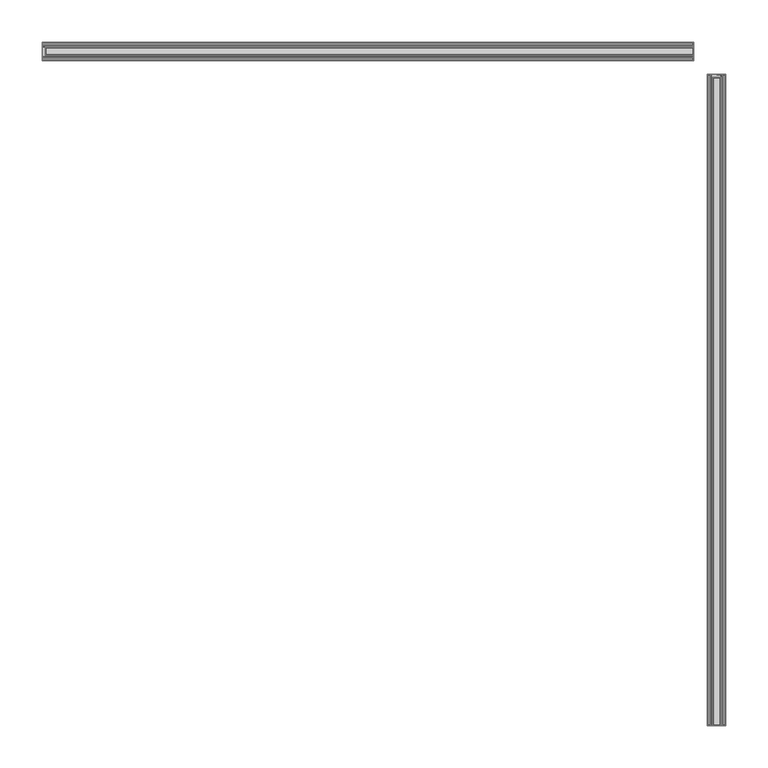
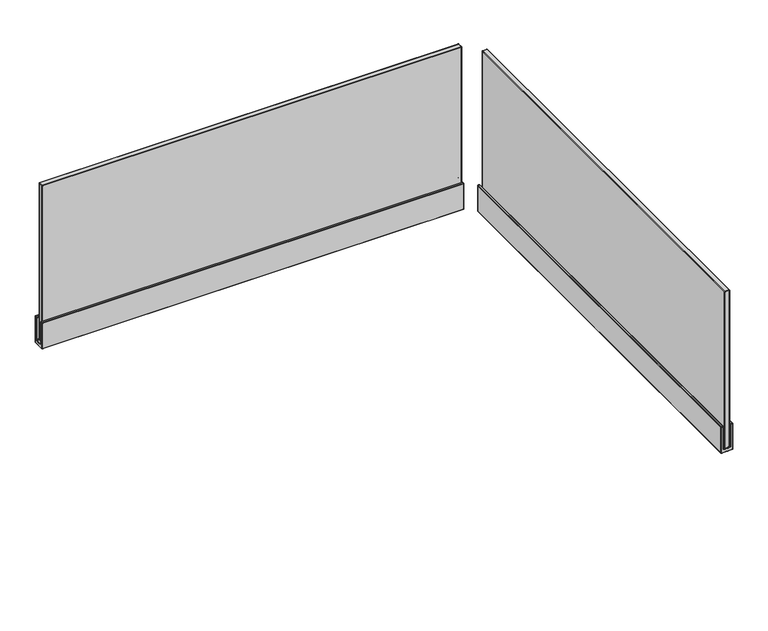
"""IFC4 building model written with IfcOpenShell, lengths in millimetres: furniture geometry."""

from ifc_helpers import new_model, si_unit, origin, place, context, project, spatial, triangles, source, transform, mapped, element, save


def furniture_179b747d(model_context):
    return source(origin(), model_context, "Body", "Tessellation", [
        triangles([(0.5079999, -14.9225017, 1119.1999992), (0.5079999, -14.4734886, 1119.0140368), (0.1487897, -14.5786988, 1118.9088106), (0.1487897, -14.9225017, 1119.0511711), (-1e-07, -14.8326986, 1118.654829), (0.1487897, -14.4362918, 1118.5650089), (0.5079999, -14.2875011, 1118.5650089), (774.1919884, -14.2874932, 1118.5650089), (774.1919884, -14.4734807, 1119.0140368), (774.1919884, -14.9224926, 1119.1999992), (0.5079999, -18.097502, 1119.1999992), (0.5079999, -18.546514, 1119.0140368), (0.1487897, -18.4413037, 1118.9088106), (0.1487897, -18.097502, 1119.0511711), (-1e-07, -18.187304, 1118.654829), (0.5079999, -18.7325014, 1118.5650089), (0.1487897, -18.5837119, 1118.5650089), (-1e-07, -14.7955018, 1069.0349653), (0.1487897, -14.4362918, 1069.0349653), (0.5079999, -14.2875011, 1069.0349653), (0.1487897, -14.5786988, 1068.6911636), (0.5079999, -14.4734886, 1068.5860102), (-1e-07, -14.9225017, 1068.9080109), (0.1487897, -14.9225017, 1068.5488031), (0.5079999, -14.9225017, 1068.399975), (0.0, -25.4000008, 1068.9080109), (0.1487898, -25.4000008, 1068.5488031), (0.508, -25.4000008, 1068.399975), (0.5079999, -18.7325014, 1076.0200041), (0.5079999, -19.1044752, 1075.1219484), (0.1487897, -18.9992661, 1075.016795), (0.1487897, -18.5837119, 1076.0200041), (-1e-07, -18.7452652, 1074.7627407), (-1e-07, -18.2245019, 1076.0200041), (0.5079999, -20.0025014, 1074.7500235), (0.1487897, -20.0025014, 1074.6011953), (0.0, -20.0025014, 1074.2419876), (774.1919884, -19.1044684, 1075.1219484), (774.1919884, -20.0024923, 1074.7500235), (774.5511961, -20.0024923, 1074.6011953), (774.5511961, -18.999257, 1075.016795), (774.7000242, -20.0024923, 1074.2419876), (774.7000242, -18.7452573, 1074.7627407), (774.1919884, -18.7324935, 1076.0200041), (774.5511961, -18.5837028, 1076.0200041), (774.7000242, -18.2244928, 1076.0200041), (774.1919884, -25.4000008, 1074.7500235), (774.5511961, -25.4000008, 1074.6011953), (774.7000242, -25.4000008, 1074.2419876), (774.1919884, -18.7324935, 1118.5650089), (774.1919884, -18.546506, 1119.0140368), (774.5511961, -18.4412958, 1118.9088106), (774.5511961, -18.5837028, 1118.5650089), (774.7000242, -18.187296, 1118.654829), (774.1919884, -18.097493, 1119.1999992), (774.5511961, -18.097493, 1119.0511711), (774.5511961, -14.9224926, 1119.0511711), (774.5511961, -14.5786909, 1118.9088106), (774.7000242, -14.8326907, 1118.654829), (774.5511961, -14.4362827, 1118.5650089), (774.7000242, -14.7954927, 1069.0349653), (774.5511961, -14.4362827, 1069.0349653), (774.1919884, -14.2874932, 1069.0349653), (774.5511961, -14.5786909, 1068.6911636), (774.1919884, -14.4734807, 1068.5860102), (774.7000242, -14.9224926, 1068.9080109), (774.5511961, -14.9224926, 1068.5488031), (774.1919884, -14.9224926, 1068.399975), (774.7000242, -25.4000008, 1068.9080109), (774.5511961, -25.4000008, 1068.5488031), (774.1919884, -25.4000008, 1068.399975), (0.508, -25.4000008, 1074.7500235), (0.1487898, -25.4000008, 1074.6011953), (0.0, -25.4000008, 1074.2419876), (774.1919884, -30.7974933, 1074.7500235), (0.5080001, -30.7975024, 1074.7500235), (0.5080001, -35.8775021, 1068.399975), (774.1919884, -35.877493, 1068.399975), (0.5079999, -35.8774976, 1119.1999992), (0.5079999, -36.3265118, 1119.0140368), (0.1487897, -36.2213015, 1118.9088106), (0.1487897, -35.8774976, 1119.0511711), (-1e-07, -35.9673018, 1118.654829), (0.1487897, -36.3637097, 1118.5650089), (0.5079999, -36.5124992, 1118.5650089), (774.1919884, -36.5125061, 1118.5650089), (774.1919884, -36.3265209, 1119.0140368), (774.1919884, -35.8775067, 1119.1999992), (0.5079999, -32.7024983, 1119.1999992), (0.5079999, -32.2534864, 1119.0140368), (0.1487897, -32.3586966, 1118.9088106), (0.1487897, -32.7024983, 1119.0511711), (-1e-07, -32.6126964, 1118.654829), (0.5079999, -32.0674989, 1118.5650089), (0.1487897, -32.2162885, 1118.5650089), (-1e-07, -36.0044975, 1069.0349653), (0.1487897, -36.3637097, 1069.0349653), (0.5079999, -36.5124992, 1069.0349653), (0.1487897, -36.2213015, 1068.6911636), (0.5079999, -36.3265118, 1068.5860102), (-1e-07, -35.8774976, 1068.9080109), (0.1487897, -35.8774976, 1068.5488031), (0.5079999, -32.0674989, 1076.0200041), (0.5079999, -31.695524, 1075.1219484), (0.1487897, -31.8007342, 1075.016795), (0.1487897, -32.2162885, 1076.0200041), (-1e-07, -32.054734, 1074.7627407), (-1e-07, -32.5754985, 1076.0200041), (0.1487897, -30.7974979, 1074.6011953), (0.0, -30.7974979, 1074.2419876), (774.1919884, -31.6955331, 1075.1219484), (774.5511961, -30.797507, 1074.6011953), (774.5511961, -31.8007433, 1075.016795), (774.7000242, -30.797507, 1074.2419876), (774.7000242, -32.0547431, 1074.7627407), (774.1919884, -32.067508, 1076.0200041), (774.5511961, -32.2162975, 1076.0200041), (774.7000242, -32.5755075, 1076.0200041), (774.1919884, -32.067508, 1118.5650089), (774.1919884, -32.2534932, 1119.0140368), (774.5511961, -32.3587035, 1118.9088106), (774.5511961, -32.2162975, 1118.5650089), (774.7000242, -32.6127055, 1118.654829), (774.1919884, -32.7025074, 1119.1999992), (774.5511961, -32.7025074, 1119.0511711), (774.5511961, -35.8775067, 1119.0511711), (774.5511961, -36.2213106, 1118.9088106), (774.7000242, -35.9673086, 1118.654829), (774.5511961, -36.3637165, 1118.5650089), (774.7000242, -36.0045065, 1069.0349653), (774.5511961, -36.3637165, 1069.0349653), (774.1919884, -36.5125061, 1069.0349653), (774.5511961, -36.2213106, 1068.6911636), (774.1919884, -36.3265209, 1068.5860102), (774.7000242, -35.8775067, 1068.9080109), (774.5511961, -35.8775067, 1068.5488031), (812.1015203, -52.8319996, 1119.1999992), (812.5504755, -52.8319996, 1119.0140368), (812.1015203, -52.4727919, 1119.0511711), (812.445322, -52.4727919, 1118.9088106), (812.1912678, -52.3240001, 1118.654829), (812.5876825, -52.4727919, 1118.5650089), (812.7365107, -52.8319996, 1118.5650089), (812.7365107, -826.5159748, 1118.5650089), (812.5505482, -826.5159748, 1119.0140368), (812.1015203, -826.5159748, 1119.1999992), (808.9264961, -52.8319996, 1119.1999992), (808.4774683, -52.8319996, 1119.0140368), (808.5826944, -52.4727919, 1118.9088106), (808.9264961, -52.4727919, 1119.0511711), (808.836676, -52.3240001, 1118.654829), (808.2915058, -52.8319996, 1118.5650089), (808.4402613, -52.4727919, 1118.5650089), (812.2284748, -52.3240001, 1069.0349653), (812.5876825, -52.4727919, 1069.0349653), (812.7365107, -52.8319996, 1069.0349653), (812.445322, -52.4727919, 1068.6911636), (812.5504755, -52.8319996, 1068.5860102), (812.1015203, -52.3240001, 1068.9080109), (812.1015203, -52.4727919, 1068.5488031), (812.1015203, -52.8319996, 1068.399975), (801.6240349, -52.3240001, 1068.9080109), (801.6240349, -52.4727919, 1068.5488031), (801.6240349, -52.8319996, 1068.399975), (808.2915058, -52.8319996, 1076.0200041), (807.9195082, -52.8319996, 1075.1219484), (808.4402613, -52.4727919, 1076.0200041), (808.0247343, -52.4727919, 1075.016795), (808.799469, -52.3240001, 1076.0200041), (808.2787159, -52.3240001, 1074.7627407), (807.0215252, -52.8319996, 1074.7500235), (807.0215252, -52.4727919, 1074.6011953), (807.0215252, -52.3240001, 1074.2419876), (807.9195082, -826.5159748, 1075.1219484), (807.0215252, -826.5159748, 1074.7500235), (807.0215252, -826.8751825, 1074.6011953), (808.0247343, -826.8751825, 1075.016795), (807.0215252, -827.0240107, 1074.2419876), (808.2787159, -827.0240107, 1074.7627407), (808.2915058, -826.5159748, 1076.0200041), (808.4402613, -826.8751825, 1076.0200041), (808.7995417, -827.0240107, 1076.0200041), (801.6240349, -826.5159748, 1074.7500235), (801.6240349, -826.8751825, 1074.6011953), (801.6240349, -827.0240107, 1074.2419876), (808.2915058, -826.5159748, 1118.5650089), (808.4774683, -826.5159748, 1119.0140368), (808.5826944, -826.8751825, 1118.9088106), (808.4402613, -826.8751825, 1118.5650089), (808.836676, -827.0240107, 1118.654829), (808.9264961, -826.5159748, 1119.1999992), (808.9264961, -826.8751825, 1119.0511711), (812.445322, -826.8751825, 1118.9088106), (812.1015203, -826.8751825, 1119.0511711), (812.1913404, -827.0240107, 1118.654829), (812.5876825, -826.8751825, 1118.5650089), (812.2284748, -827.0240107, 1069.0349653), (812.5876825, -826.8751825, 1069.0349653), (812.7365107, -826.5159748, 1069.0349653), (812.445322, -826.8751825, 1068.6911636), (812.5505482, -826.5159748, 1068.5860102), (812.1015203, -827.0240107, 1068.9080109), (812.1015203, -826.8751825, 1068.5488031), (812.1015203, -826.5159748, 1068.399975), (801.6240349, -827.0240107, 1068.9080109), (801.6240349, -826.8751825, 1068.5488031), (801.6240349, -826.5159748, 1068.399975), (801.6240349, -52.8319996, 1074.7500235), (801.6240349, -52.4727919, 1074.6011953), (801.6240349, -52.3240001, 1074.2419876), (796.2264719, -826.5159748, 1074.7500235), (796.2264719, -52.8319996, 1074.7500235), (791.1464767, -52.8319996, 1068.399975), (791.1464767, -826.5159748, 1068.399975), (791.1464767, -52.8319996, 1119.1999992), (790.6975216, -52.8319996, 1119.0140368), (790.8026751, -52.4727919, 1118.9088106), (791.1464767, -52.4727919, 1119.0511711), (791.0567293, -52.3240001, 1118.654829), (790.6603146, -52.4727919, 1118.5650089), (790.5114864, -52.8319996, 1118.5650089), (790.5114864, -826.5159748, 1118.5650089), (790.6974489, -826.5159748, 1119.0140368), (791.1464767, -826.5159748, 1119.1999992), (794.321501, -52.8319996, 1119.1999992), (794.7705288, -52.8319996, 1119.0140368), (794.321501, -52.4727919, 1119.0511711), (794.6653027, -52.4727919, 1118.9088106), (794.4113211, -52.3240001, 1118.654829), (794.9564913, -52.8319996, 1118.5650089), (794.8077358, -52.4727919, 1118.5650089), (791.0195223, -52.3240001, 1069.0349653), (790.6603146, -52.4727919, 1069.0349653), (790.5114864, -52.8319996, 1069.0349653), (790.8026751, -52.4727919, 1068.6911636), (790.6975216, -52.8319996, 1068.5860102), (791.1464767, -52.3240001, 1068.9080109), (791.1464767, -52.4727919, 1068.5488031), (794.9564913, -52.8319996, 1076.0200041), (795.3284889, -52.8319996, 1075.1219484), (795.2232628, -52.4727919, 1075.016795), (794.8077358, -52.4727919, 1076.0200041), (794.9692812, -52.3240001, 1074.7627407), (794.4485281, -52.3240001, 1076.0200041), (796.2264719, -52.4727919, 1074.6011953), (796.2264719, -52.3240001, 1074.2419876), (795.3284889, -826.5159748, 1075.1219484), (796.2264719, -826.8751825, 1074.6011953), (795.2232628, -826.8751825, 1075.016795), (794.9692812, -827.0240107, 1074.7627407), (796.2264719, -827.0240107, 1074.2419876), (794.9564913, -826.5159748, 1076.0200041), (794.8077358, -826.8751825, 1076.0200041), (794.4485281, -827.0240107, 1076.0200041), (794.9564913, -826.5159748, 1118.5650089), (794.7705288, -826.5159748, 1119.0140368), (794.6653027, -826.8751825, 1118.9088106), (794.8077358, -826.8751825, 1118.5650089), (794.4113211, -827.0240107, 1118.654829), (794.321501, -826.5159748, 1119.1999992), (794.321501, -826.8751825, 1119.0511711), (791.1464767, -826.8751825, 1119.0511711), (790.8026751, -826.8751825, 1118.9088106), (791.0566566, -827.0240107, 1118.654829), (790.6603146, -826.8751825, 1118.5650089), (791.0195223, -827.0240107, 1069.0349653), (790.6603146, -826.8751825, 1069.0349653), (790.5114864, -826.5159748, 1069.0349653), (790.8026751, -826.8751825, 1068.6911636), (790.6974489, -826.5159748, 1068.5860102), (791.1464767, -827.0240107, 1068.9080109), (791.1464767, -826.8751825, 1068.5488031)], [[1, 2, 3], [1, 3, 4], [4, 3, 5], [5, 6, 3], [3, 6, 2], [6, 7, 2], [7, 8, 9], [7, 9, 2], [2, 9, 10], [2, 10, 1], [11, 12, 13], [11, 13, 14], [14, 13, 15], [12, 16, 17], [12, 17, 13], [13, 17, 15], [5, 18, 19], [5, 19, 6], [6, 19, 20], [6, 20, 7], [18, 21, 19], [19, 21, 22], [19, 22, 20], [18, 23, 24], [23, 24, 21], [21, 24, 25], [21, 25, 22], [23, 26, 24], [26, 27, 24], [24, 27, 25], [27, 28, 25], [29, 30, 31], [29, 31, 32], [32, 31, 33], [32, 33, 34], [30, 35, 36], [30, 36, 31], [31, 36, 37], [31, 37, 33], [38, 39, 40], [38, 40, 41], [41, 40, 42], [41, 42, 43], [38, 44, 45], [38, 45, 41], [41, 45, 46], [41, 46, 43], [39, 47, 48], [39, 48, 40], [40, 48, 42], [48, 49, 42], [50, 51, 52], [50, 52, 53], [53, 52, 54], [55, 51, 56], [51, 52, 56], [56, 52, 54], [10, 9, 57], [9, 58, 57], [57, 58, 59], [9, 8, 58], [8, 60, 58], [58, 60, 59], [55, 10, 57], [55, 57, 56], [56, 57, 59], [56, 59, 54], [54, 46, 45], [54, 45, 53], [53, 45, 44], [53, 44, 50], [59, 61, 62], [59, 62, 60], [60, 62, 63], [60, 63, 8], [61, 64, 62], [62, 64, 65], [62, 65, 63], [61, 66, 64], [66, 67, 64], [64, 67, 68], [64, 68, 65], [69, 66, 67], [69, 67, 70], [70, 67, 68], [70, 68, 71], [39, 35, 30], [39, 30, 38], [38, 30, 29], [38, 29, 44], [1, 11, 4], [11, 14, 4], [4, 14, 5], [14, 15, 5], [16, 29, 32], [16, 32, 17], [17, 32, 34], [17, 34, 15], [35, 72, 36], [72, 73, 36], [36, 73, 37], [73, 74, 37], [63, 20, 22], [63, 22, 65], [65, 22, 25], [65, 25, 68], [55, 11, 12], [55, 12, 51], [51, 12, 16], [51, 16, 50], [75, 39, 35], [75, 35, 76], [16, 29, 44], [16, 44, 50], [59, 54, 61], [54, 46, 61], [46, 61, 66], [46, 66, 43], [43, 42, 66], [42, 66, 49], [66, 69, 49], [55, 10, 1], [55, 1, 11], [15, 5, 18], [15, 18, 34], [18, 34, 23], [34, 33, 23], [33, 23, 37], [23, 37, 74], [23, 74, 26], [77, 25, 68], [77, 68, 78], [79, 80, 81], [79, 81, 82], [82, 81, 83], [83, 84, 81], [81, 84, 80], [84, 85, 80], [85, 86, 87], [85, 87, 80], [80, 87, 88], [80, 88, 79], [89, 90, 91], [89, 91, 92], [92, 91, 93], [90, 94, 95], [90, 95, 91], [91, 95, 93], [83, 96, 97], [83, 97, 84], [84, 97, 98], [84, 98, 85], [96, 99, 97], [97, 99, 100], [97, 100, 98], [96, 101, 102], [101, 102, 99], [99, 102, 77], [99, 77, 100], [101, 26, 27], [101, 27, 102], [102, 27, 28], [102, 28, 77], [103, 104, 105], [103, 105, 106], [106, 105, 107], [106, 107, 108], [104, 76, 109], [104, 109, 105], [105, 109, 110], [105, 110, 107], [111, 75, 112], [111, 112, 113], [113, 112, 114], [113, 114, 115], [111, 116, 117], [111, 117, 113], [113, 117, 118], [113, 118, 115], [75, 47, 48], [75, 48, 112], [112, 48, 49], [112, 49, 114], [119, 120, 121], [119, 121, 122], [122, 121, 123], [124, 120, 125], [120, 121, 125], [125, 121, 123], [88, 87, 126], [87, 127, 126], [126, 127, 128], [87, 86, 127], [86, 129, 127], [127, 129, 128], [124, 88, 126], [124, 126, 125], [125, 126, 123], [126, 128, 123], [123, 118, 117], [123, 117, 122], [122, 117, 116], [122, 116, 119], [128, 130, 131], [128, 131, 129], [129, 131, 132], [129, 132, 86], [130, 133, 131], [131, 133, 134], [131, 134, 132], [130, 135, 133], [135, 136, 133], [133, 136, 78], [133, 78, 134], [69, 135, 70], [135, 136, 70], [70, 136, 71], [136, 78, 71], [75, 76, 104], [75, 104, 111], [111, 104, 103], [111, 103, 116], [79, 89, 92], [79, 92, 82], [82, 92, 93], [82, 93, 83], [94, 103, 106], [94, 106, 95], [95, 106, 108], [95, 108, 93], [76, 72, 73], [76, 73, 109], [109, 73, 74], [109, 74, 110], [132, 98, 100], [132, 100, 134], [134, 100, 77], [134, 77, 78], [124, 89, 90], [124, 90, 120], [120, 90, 94], [120, 94, 119], [119, 116, 103], [119, 103, 94], [130, 118, 123], [130, 123, 128], [115, 135, 130], [115, 130, 118], [135, 114, 115], [49, 69, 114], [69, 135, 114], [89, 79, 88], [89, 88, 124], [108, 96, 83], [108, 83, 93], [96, 107, 108], [110, 101, 96], [110, 96, 107], [26, 74, 110], [26, 110, 101], [8, 63, 20], [8, 20, 7], [86, 132, 98], [86, 98, 85], [137, 138, 139], [138, 140, 139], [139, 140, 141], [141, 142, 140], [140, 142, 138], [142, 143, 138], [143, 144, 145], [143, 145, 138], [138, 145, 146], [138, 146, 137], [147, 148, 149], [147, 149, 150], [150, 149, 151], [148, 152, 149], [152, 153, 149], [149, 153, 151], [141, 154, 155], [141, 155, 142], [142, 155, 156], [142, 156, 143], [154, 157, 155], [155, 157, 156], [157, 158, 156], [154, 159, 160], [159, 160, 157], [157, 160, 161], [157, 161, 158], [159, 162, 163], [159, 163, 160], [160, 163, 164], [160, 164, 161], [165, 166, 167], [166, 168, 167], [167, 168, 169], [168, 170, 169], [166, 171, 172], [166, 172, 168], [168, 172, 173], [168, 173, 170], [174, 175, 176], [174, 176, 177], [177, 176, 178], [177, 178, 179], [174, 180, 181], [174, 181, 177], [177, 181, 182], [177, 182, 179], [175, 183, 184], [175, 184, 176], [176, 184, 185], [176, 185, 178], [186, 187, 188], [186, 188, 189], [189, 188, 190], [191, 187, 192], [187, 188, 192], [192, 188, 190], [146, 145, 193], [146, 193, 194], [194, 193, 195], [145, 144, 193], [144, 196, 193], [193, 196, 195], [191, 146, 194], [191, 194, 192], [192, 194, 190], [194, 195, 190], [190, 182, 181], [190, 181, 189], [189, 181, 180], [189, 180, 186], [195, 197, 198], [195, 198, 196], [196, 198, 199], [196, 199, 144], [197, 200, 198], [198, 200, 201], [198, 201, 199], [197, 202, 203], [202, 203, 200], [200, 203, 204], [200, 204, 201], [205, 202, 206], [202, 203, 206], [206, 203, 207], [203, 204, 207], [175, 171, 166], [175, 166, 174], [174, 166, 165], [174, 165, 180], [137, 147, 150], [137, 150, 139], [139, 150, 151], [139, 151, 141], [152, 165, 167], [152, 167, 153], [153, 167, 169], [153, 169, 151], [171, 208, 209], [171, 209, 172], [172, 209, 210], [172, 210, 173], [199, 156, 158], [199, 158, 201], [201, 158, 161], [201, 161, 204], [191, 147, 148], [191, 148, 187], [187, 148, 152], [187, 152, 186], [211, 175, 171], [211, 171, 212], [152, 165, 180], [152, 180, 186], [195, 190, 182], [195, 182, 197], [182, 197, 179], [197, 202, 179], [179, 178, 202], [178, 202, 205], [178, 205, 185], [191, 146, 137], [191, 137, 147], [151, 141, 154], [151, 154, 169], [154, 169, 170], [154, 170, 159], [170, 159, 173], [159, 173, 210], [159, 210, 162], [213, 161, 204], [213, 204, 214], [215, 216, 217], [215, 217, 218], [218, 217, 219], [219, 220, 217], [217, 220, 221], [217, 221, 216], [221, 222, 223], [221, 223, 216], [216, 223, 224], [216, 224, 215], [225, 226, 227], [226, 228, 227], [227, 228, 229], [226, 230, 231], [226, 231, 228], [228, 231, 229], [219, 232, 233], [219, 233, 220], [220, 233, 234], [220, 234, 221], [232, 235, 233], [233, 235, 236], [233, 236, 234], [232, 237, 235], [237, 238, 235], [235, 238, 236], [238, 213, 236], [237, 162, 238], [162, 163, 238], [238, 163, 213], [163, 164, 213], [239, 240, 241], [239, 241, 242], [242, 241, 243], [242, 243, 244], [240, 212, 241], [212, 245, 241], [241, 245, 243], [245, 246, 243], [247, 211, 248], [247, 248, 249], [249, 248, 250], [248, 251, 250], [247, 252, 253], [247, 253, 249], [249, 253, 250], [253, 254, 250], [211, 183, 184], [211, 184, 248], [248, 184, 251], [184, 185, 251], [255, 256, 257], [255, 257, 258], [258, 257, 259], [260, 256, 257], [260, 257, 261], [261, 257, 259], [224, 223, 262], [223, 263, 262], [262, 263, 264], [223, 222, 263], [222, 265, 263], [263, 265, 264], [260, 224, 262], [260, 262, 261], [261, 262, 264], [261, 264, 259], [259, 254, 253], [259, 253, 258], [258, 253, 252], [258, 252, 255], [264, 266, 267], [264, 267, 265], [265, 267, 268], [265, 268, 222], [266, 269, 267], [267, 269, 270], [267, 270, 268], [266, 271, 269], [271, 272, 269], [269, 272, 270], [272, 214, 270], [205, 271, 272], [205, 272, 206], [206, 272, 214], [206, 214, 207], [211, 212, 240], [211, 240, 247], [247, 240, 239], [247, 239, 252], [215, 225, 218], [225, 227, 218], [218, 227, 219], [227, 229, 219], [230, 239, 242], [230, 242, 231], [231, 242, 244], [231, 244, 229], [212, 208, 245], [208, 209, 245], [245, 209, 246], [209, 210, 246], [268, 234, 236], [268, 236, 270], [270, 236, 213], [270, 213, 214], [260, 225, 226], [260, 226, 256], [256, 226, 230], [256, 230, 255], [255, 252, 239], [255, 239, 230], [266, 254, 259], [266, 259, 264], [250, 266, 254], [271, 251, 250], [271, 250, 266], [185, 205, 251], [205, 271, 251], [225, 215, 224], [225, 224, 260], [244, 232, 229], [232, 219, 229], [237, 243, 232], [243, 244, 232], [246, 237, 243], [162, 210, 246], [162, 246, 237], [144, 199, 156], [144, 156, 143], [222, 268, 234], [222, 234, 221]], closed=False),
        triangles([(4.3600187, -29.3792977, 1380.1849411), (4.3600187, -29.8283097, 1379.9990513), (4.0008084, -29.7230994, 1379.8938251), (4.0008084, -29.3792977, 1380.0362583), (3.8520186, -29.4690997, 1379.6397709), (4.0008084, -29.8655076, 1379.5499508), (4.3600187, -30.0142971, 1379.5499508), (774.168734, -30.0143062, 1379.5499508), (774.168734, -29.8283188, 1379.9990513), (774.168734, -29.3793046, 1380.1849411), (4.3600187, -21.1242965, 1380.1849411), (4.3600187, -20.6752846, 1379.9990513), (4.0008084, -20.7804948, 1379.8938251), (4.0008084, -21.1242965, 1380.0362583), (3.8520186, -21.0344946, 1379.6397709), (4.3600187, -20.4892971, 1379.5499508), (4.0008084, -20.6380867, 1379.5499508), (3.8520186, -29.5062976, 1076.0200041), (4.0008084, -29.8655076, 1076.0200041), (4.3600187, -30.0142971, 1076.0200041), (774.168734, -20.4893062, 1379.5499508), (774.168734, -20.6752914, 1379.9990513), (774.5280144, -20.7805017, 1379.8938251), (774.5280144, -20.6380957, 1379.5499508), (774.6767698, -21.0345037, 1379.6397709), (774.168734, -21.1243056, 1380.1849411), (774.5280144, -21.1243056, 1380.0362583), (774.5280144, -29.3793046, 1380.0362583), (774.5280144, -29.7231085, 1379.8938251), (774.6767698, -29.4691088, 1379.6397709), (774.5280144, -29.8655167, 1379.5499508), (774.6767698, -20.9973057, 1076.0200041), (774.5280144, -20.6380957, 1076.0200041), (774.168734, -20.4893062, 1076.0200041), (774.6767698, -29.5063044, 1076.0200041), (774.5280144, -29.8655167, 1076.0200041), (774.168734, -30.0143062, 1076.0200041), (4.3600187, -20.4892971, 1076.0200041), (4.0008084, -20.6380867, 1076.0200041), (3.8520186, -20.9972967, 1076.0200041), (4.0008084, -29.3792977, 1075.5337692), (4.0008084, -29.7230994, 1075.6762024), (4.3600187, -29.8283097, 1075.5709763), (4.3600187, -29.3792977, 1075.3850138), (3.8520186, -29.3792977, 1075.892977), (774.168734, -29.8283188, 1075.5709763), (774.168734, -29.3793046, 1075.3850138), (4.0008084, -21.1242965, 1075.5337692), (4.0008084, -20.7804948, 1075.6762024), (4.3600187, -21.1242965, 1075.3850138), (4.3600187, -20.6752846, 1075.5709763), (3.8520186, -21.1242965, 1075.892977), (774.5280144, -20.7805017, 1075.6762024), (774.168734, -20.6752914, 1075.5709763), (774.5280144, -21.1243056, 1075.5337692), (774.168734, -21.1243056, 1075.3850138), (774.6767698, -21.1243056, 1075.892977), (774.5280144, -29.3793046, 1075.5337692), (774.5280144, -29.7231085, 1075.6762024), (774.6767698, -29.3793046, 1075.892977), (797.6446993, -56.6840174, 1380.1849411), (797.1956715, -56.6840174, 1379.9990513), (797.3008976, -56.3248096, 1379.8938251), (797.6446993, -56.3248096, 1380.0362583), (797.5548792, -56.1760178, 1379.6397709), (797.1584644, -56.3248096, 1379.5499508), (797.009709, -56.6840174, 1379.5499508), (797.009709, -826.4927931, 1379.5499508), (797.1956715, -826.4927931, 1379.9990513), (797.6446993, -826.4927931, 1380.1849411), (805.8997187, -56.6840174, 1380.1849411), (806.3487465, -56.6840174, 1379.9990513), (805.8997187, -56.3248096, 1380.0362583), (806.2435204, -56.3248096, 1379.8938251), (805.9895388, -56.1760178, 1379.6397709), (806.534709, -56.6840174, 1379.5499508), (806.3858809, -56.3248096, 1379.5499508), (797.5176722, -56.1760178, 1076.0200041), (797.1584644, -56.3248096, 1076.0200041), (797.009709, -56.6840174, 1076.0200041), (806.534709, -826.4927931, 1379.5499508), (806.3486738, -826.4927931, 1379.9990513), (806.2435204, -826.8520008, 1379.8938251), (806.3858809, -826.8520008, 1379.5499508), (805.9894661, -827.0007563, 1379.6397709), (805.8997187, -826.4927931, 1380.1849411), (805.8997187, -826.8520008, 1380.0362583), (797.6446993, -826.8520008, 1380.0362583), (797.3008976, -826.8520008, 1379.8938251), (797.5548792, -827.0007563, 1379.6397709), (797.1584644, -826.8520008, 1379.5499508), (806.0266731, -827.0007563, 1076.0200041), (806.3858809, -826.8520008, 1076.0200041), (806.534709, -826.4927931, 1076.0200041), (797.5176722, -827.0007563, 1076.0200041), (797.1584644, -826.8520008, 1076.0200041), (797.009709, -826.4927931, 1076.0200041), (806.534709, -56.6840174, 1076.0200041), (806.3858809, -56.3248096, 1076.0200041), (806.0266731, -56.1760178, 1076.0200041), (797.6446993, -56.3248096, 1075.5337692), (797.3008976, -56.3248096, 1075.6762024), (797.1956715, -56.6840174, 1075.5709763), (797.6446993, -56.6840174, 1075.3850138), (797.6446993, -56.1760178, 1075.892977), (797.1956715, -826.4927931, 1075.5709763), (797.6446993, -826.4927931, 1075.3850138), (805.8997187, -56.3248096, 1075.5337692), (806.2435204, -56.3248096, 1075.6762024), (806.3487465, -56.6840174, 1075.5709763), (805.8997187, -56.6840174, 1075.3850138), (805.8997187, -56.1760178, 1075.892977), (806.2435204, -826.8520008, 1075.6762024), (806.3486738, -826.4927931, 1075.5709763), (805.8997187, -826.8520008, 1075.5337692), (805.8997187, -826.4927931, 1075.3850138), (805.8997187, -827.0007563, 1075.892977), (797.6446993, -826.8520008, 1075.5337692), (797.3008976, -826.8520008, 1075.6762024), (797.6446993, -827.0007563, 1075.892977)], [[1, 2, 3], [1, 3, 4], [4, 3, 5], [5, 6, 3], [3, 6, 2], [6, 7, 2], [7, 8, 9], [7, 9, 2], [2, 9, 10], [2, 10, 1], [11, 12, 13], [11, 13, 14], [14, 13, 15], [12, 16, 17], [12, 17, 13], [13, 17, 15], [5, 18, 19], [5, 19, 6], [6, 19, 20], [6, 20, 7], [21, 22, 23], [21, 23, 24], [24, 23, 25], [26, 22, 27], [22, 23, 27], [27, 23, 25], [10, 9, 28], [9, 29, 28], [28, 29, 30], [9, 8, 29], [8, 31, 29], [29, 31, 30], [26, 10, 28], [26, 28, 27], [27, 28, 25], [28, 30, 25], [25, 32, 33], [25, 33, 24], [24, 33, 34], [24, 34, 21], [30, 35, 36], [30, 36, 31], [31, 36, 37], [31, 37, 8], [1, 11, 14], [1, 14, 4], [4, 14, 15], [4, 15, 5], [16, 38, 39], [16, 39, 17], [17, 39, 40], [17, 40, 15], [26, 11, 12], [26, 12, 22], [22, 12, 16], [22, 16, 21], [21, 34, 38], [21, 38, 16], [35, 32, 30], [32, 25, 30], [11, 1, 10], [11, 10, 26], [40, 18, 5], [40, 5, 15], [8, 37, 20], [8, 20, 7], [41, 42, 43], [41, 43, 44], [45, 42, 41], [42, 19, 18], [42, 18, 45], [43, 20, 19], [43, 19, 42], [43, 46, 37], [43, 37, 20], [44, 47, 46], [44, 46, 43], [48, 49, 50], [49, 51, 50], [52, 40, 48], [40, 49, 48], [49, 39, 38], [49, 38, 51], [40, 39, 49], [33, 53, 54], [33, 54, 34], [32, 53, 33], [55, 53, 56], [53, 54, 56], [57, 53, 55], [58, 59, 47], [59, 46, 47], [60, 35, 58], [35, 59, 58], [59, 36, 37], [59, 37, 46], [35, 36, 59], [55, 58, 56], [58, 47, 56], [57, 60, 55], [60, 58, 55], [41, 48, 50], [41, 50, 44], [45, 52, 48], [45, 48, 41], [54, 51, 50], [54, 50, 56], [34, 38, 51], [34, 51, 54], [60, 57, 32], [60, 32, 35], [56, 47, 44], [56, 44, 50], [52, 45, 18], [52, 18, 40], [61, 62, 63], [61, 63, 64], [64, 63, 65], [65, 66, 63], [63, 66, 67], [63, 67, 62], [67, 68, 69], [67, 69, 62], [62, 69, 70], [62, 70, 61], [71, 72, 73], [72, 74, 73], [73, 74, 75], [72, 76, 77], [72, 77, 74], [74, 77, 75], [65, 78, 79], [65, 79, 66], [66, 79, 80], [66, 80, 67], [81, 82, 83], [81, 83, 84], [84, 83, 85], [86, 82, 83], [86, 83, 87], [87, 83, 85], [70, 69, 88], [69, 89, 88], [88, 89, 90], [69, 68, 89], [68, 91, 89], [89, 91, 90], [86, 70, 88], [86, 88, 87], [87, 88, 90], [87, 90, 85], [85, 92, 93], [85, 93, 84], [84, 93, 94], [84, 94, 81], [90, 95, 96], [90, 96, 91], [91, 96, 97], [91, 97, 68], [61, 71, 64], [71, 73, 64], [64, 73, 65], [73, 75, 65], [76, 98, 99], [76, 99, 77], [77, 99, 100], [77, 100, 75], [86, 71, 72], [86, 72, 82], [82, 72, 76], [82, 76, 81], [81, 94, 98], [81, 98, 76], [95, 92, 85], [95, 85, 90], [71, 61, 70], [71, 70, 86], [100, 78, 75], [78, 65, 75], [68, 97, 80], [68, 80, 67], [101, 102, 103], [101, 103, 104], [105, 102, 101], [102, 79, 78], [102, 78, 105], [103, 80, 79], [103, 79, 102], [103, 106, 97], [103, 97, 80], [104, 107, 106], [104, 106, 103], [108, 109, 110], [108, 110, 111], [112, 100, 109], [112, 109, 108], [109, 99, 98], [109, 98, 110], [100, 99, 109], [93, 113, 114], [93, 114, 94], [92, 113, 93], [115, 113, 114], [115, 114, 116], [117, 113, 115], [118, 119, 106], [118, 106, 107], [120, 119, 118], [119, 96, 106], [96, 97, 106], [120, 95, 119], [95, 96, 119], [115, 118, 107], [115, 107, 116], [117, 120, 118], [117, 118, 115], [101, 108, 104], [108, 111, 104], [105, 112, 101], [112, 108, 101], [114, 110, 111], [114, 111, 116], [94, 98, 110], [94, 110, 114], [117, 120, 95], [117, 95, 92], [116, 107, 104], [116, 104, 111], [112, 105, 78], [112, 78, 100]], closed=False),
    ])


if __name__ == "__main__":
    model = new_model("IFC4")
    model_context = context("Model", 3, world=origin())
    ifc_project = project(units=[si_unit("LENGTHUNIT", "METRE", prefix="MILLI")], contexts=[model_context])
    site = spatial("IfcSite", under=ifc_project)
    building = spatial("IfcBuilding", under=site)
    placement = place(None, origin())
    furniture_shape = furniture_179b747d(model_context)
    element("IfcFurniture", 1, at=placement, inside=building, context=model_context, shape_type="MappedRepresentation", body=[
        mapped(furniture_shape, transform((0.0, 0.0, 0.0), x_axis=(1.0, 0.0, 0.0), y_axis=(0.0, 1.0, 0.0), z_axis=(0.0, 0.0, 1.0))),
    ])
    save(model, "model.ifc")
